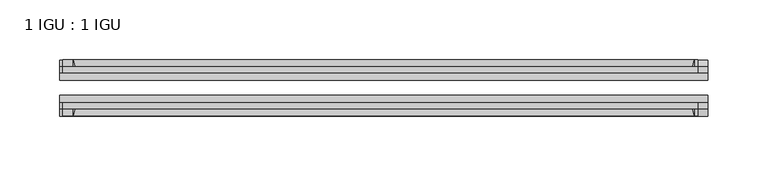
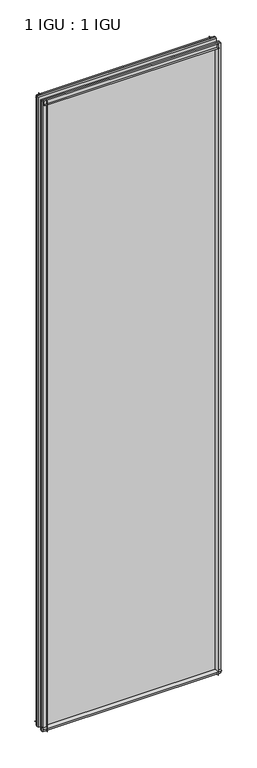
"""IFC4 building model written with IfcOpenShell, lengths in millimetres: plate geometry, 1 IGU : 1 IGU."""

from ifc_helpers import new_model, si_unit, point, frame, frame_2d, origin, place, context, project, spatial, polyline, circle_curve, trimmed, segment, composite_curve, outline, extrude, source, transform, mapped, element, save


def plate_1_igu_1_igu_1db9f13c(model_context):
    return source(origin(), model_context, "Body", "SweptSolid", [
        extrude(outline(composite_curve([segment(trimmed(circle_curve(frame_2d((-28.0741797, 32.2797688)), 32.7673262), [point((-44.45, 3.8979053))], [point((-33.7058, 1.48e-05))], True, "CARTESIAN"), True, "CONTINUOUS"), segment(polyline([(-33.7058, 1.48e-05), (-39.6748, 1.48e-05), (-39.6748, -10.31875), (-44.45, -10.31875), (-44.45, 3.8979053)]), True, "CONTINUOUS")], self_intersect=False)), frame((-271.4625, 0.0, 0.0), z_axis=(1.0, 0.0, 0.0), x_axis=(0.0, 1.0, 0.0)), (0.0, 0.0, 1.0), 542.925),
        extrude(outline(composite_curve([segment(trimmed(circle_curve(frame_2d((-86.2258203, 32.2797602)), 32.7673262), [point((-80.5942354, 0.0))], [point((-69.85, 3.8978967))], True, "CARTESIAN"), True, "CONTINUOUS"), segment(polyline([(-69.85, 3.8978967), (-69.85, -10.31875), (-74.6252, -10.31875), (-74.6252, 0.0), (-80.5942354, 0.0)]), True, "CONTINUOUS")], self_intersect=False)), frame((-271.4625, 0.0, 0.0), z_axis=(1.0, 0.0, 0.0), x_axis=(0.0, 1.0, 0.0)), (0.0, 0.0, 1.0), 542.925),
        extrude(outline(composite_curve([segment(polyline([(-80.5942, 2008.98125), (-74.6252, 2008.98125), (-74.6252, 2020.09375), (-69.85, 2020.09375), (-69.85, 2005.0833595)]), True, "CONTINUOUS"), segment(trimmed(circle_curve(frame_2d((-86.2258203, 1976.701496)), 32.7673262), [point((-69.85, 2005.0833595))], [point((-80.5942, 2008.98125))], True, "CARTESIAN"), True, "CONTINUOUS")], self_intersect=False)), frame((-268.8627386, 0.0, 0.0), z_axis=(1.0, 0.0, 0.0), x_axis=(0.0, 1.0, 0.0)), (0.0, 0.0, 1.0), 531.7587001),
        extrude(outline(composite_curve([segment(polyline([(-39.6748, 2020.09375), (-39.6748, 2008.98125), (-33.7058, 2008.98125)]), True, "CONTINUOUS"), segment(trimmed(circle_curve(frame_2d((-28.0741797, 1976.701496)), 32.7673262), [point((-33.7058, 2008.98125))], [point((-44.45, 2005.0833595))], True, "CARTESIAN"), True, "CONTINUOUS"), segment(polyline([(-44.45, 2005.0833595), (-44.45, 2020.09375), (-39.6748, 2020.09375)]), True, "CONTINUOUS")], self_intersect=False)), frame((-268.8627386, 0.0, 0.0), z_axis=(1.0, 0.0, 0.0), x_axis=(0.0, 1.0, 0.0)), (0.0, 0.0, 1.0), 531.7587001),
        extrude(outline(composite_curve([segment(polyline([(271.4625, -39.6748), (271.4625, -44.45), (256.4521095, -44.45)]), True, "CONTINUOUS"), segment(trimmed(circle_curve(frame_2d((228.070246, -28.0741797)), 32.7673262), [point((256.4521095, -44.45))], [point((260.35, -33.7058))], True, "CARTESIAN"), True, "CONTINUOUS"), segment(polyline([(260.35, -33.7058), (260.35, -39.6748), (271.4625, -39.6748)]), True, "CONTINUOUS")], self_intersect=False)), frame((0.0, 0.0, -10.31875), z_axis=(0.0, 0.0, 1.0), x_axis=(1.0, 0.0, 0.0)), (0.0, 0.0, 1.0), 2030.4125),
        extrude(outline(composite_curve([segment(polyline([(271.4625, -69.85), (271.4625, -74.6252), (260.35, -74.6252), (260.35, -80.5942)]), True, "CONTINUOUS"), segment(trimmed(circle_curve(frame_2d((228.070246, -86.2258203)), 32.7673262), [point((260.35, -80.5942))], [point((256.4521095, -69.85))], True, "CARTESIAN"), True, "CONTINUOUS"), segment(polyline([(256.4521095, -69.85), (271.4625, -69.85)]), True, "CONTINUOUS")], self_intersect=False)), frame((0.0, 0.0, -10.31875), z_axis=(0.0, 0.0, 1.0), x_axis=(1.0, 0.0, 0.0)), (0.0, 0.0, 1.0), 2030.4125),
        extrude(outline(composite_curve([segment(polyline([(-271.4625, -39.6748), (-260.35, -39.6748), (-260.35, -33.7058)]), True, "CONTINUOUS"), segment(trimmed(circle_curve(frame_2d((-228.070246, -28.0741797)), 32.7673262), [point((-260.35, -33.7058))], [point((-256.4521095, -44.45))], True, "CARTESIAN"), True, "CONTINUOUS"), segment(polyline([(-256.4521095, -44.45), (-271.4625, -44.45), (-271.4625, -39.6748)]), True, "CONTINUOUS")], self_intersect=False)), frame((0.0, 0.0, -10.31875), z_axis=(0.0, 0.0, 1.0), x_axis=(1.0, 0.0, 0.0)), (0.0, 0.0, 1.0), 2030.4125),
        extrude(outline(composite_curve([segment(polyline([(-271.4625, -74.6252), (-271.4625, -69.85), (-256.4521095, -69.85)]), True, "CONTINUOUS"), segment(trimmed(circle_curve(frame_2d((-228.070246, -86.2258203)), 32.7673262), [point((-256.4521095, -69.85))], [point((-260.35, -80.5942))], True, "CARTESIAN"), True, "CONTINUOUS"), segment(polyline([(-260.35, -80.5942), (-260.35, -74.6252), (-271.4625, -74.6252)]), True, "CONTINUOUS")], self_intersect=False)), frame((0.0, 0.0, -10.31875), z_axis=(0.0, 0.0, 1.0), x_axis=(1.0, 0.0, 0.0)), (0.0, 0.0, 1.0), 2030.4125),
        extrude(outline(polyline([(-271.4625, -69.85), (-271.4625, -63.5508), (271.4625, -63.5508), (271.4625, -69.85), (-271.4625, -69.85)])), frame((0.0, 0.0, -10.31875), z_axis=(0.0, 0.0, 1.0), x_axis=(1.0, 0.0, 0.0)), (0.0, 0.0, 1.0), 2030.4125),
        extrude(outline(polyline([(271.4625, -50.7492), (-271.4625, -50.7492), (-271.4625, -44.45), (271.4625, -44.45), (271.4625, -50.7492)])), frame((0.0, 0.0, -10.31875), z_axis=(0.0, 0.0, 1.0), x_axis=(1.0, 0.0, 0.0)), (0.0, 0.0, 1.0), 2030.4125),
    ])


if __name__ == "__main__":
    model = new_model("IFC4")
    model_context = context("Model", 3, world=origin())
    ifc_project = project(units=[si_unit("LENGTHUNIT", "METRE", prefix="MILLI")], contexts=[model_context])
    site = spatial("IfcSite", under=ifc_project)
    building = spatial("IfcBuilding", under=site)
    placement = place(None, origin())
    plate_1_igu_1_igu_shape = plate_1_igu_1_igu_1db9f13c(model_context)
    element("IfcPlate", 1, ObjectType="1 IGU : 1 IGU", at=placement, inside=building, context=model_context, shape_type="MappedRepresentation", body=[
        mapped(plate_1_igu_1_igu_shape, transform((0.0, 0.0, 0.0), x_axis=(1.0, 0.0, 0.0), y_axis=(0.0, 1.0, 0.0), z_axis=(0.0, 0.0, 1.0))),
    ])
    save(model, "model.ifc")
